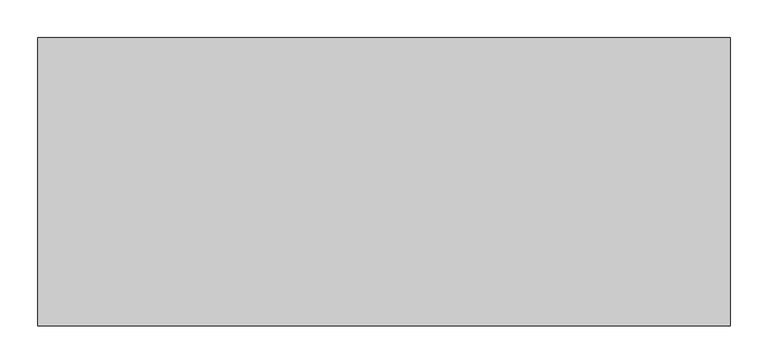
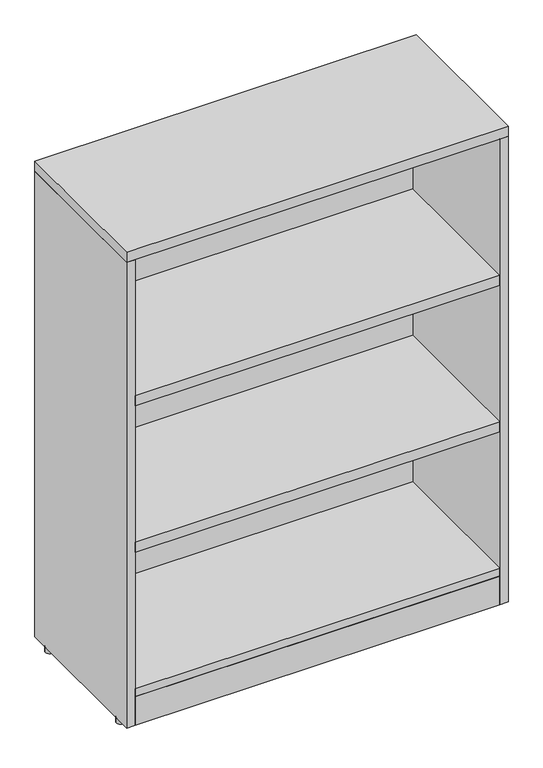
"""IFC4 building model written with IfcOpenShell, lengths in millimetres: furniture geometry."""

from ifc_helpers import new_model, si_unit, point, frame, frame_2d, origin, origin_with_axes, place, context, project, spatial, polyline, circle_curve, trimmed, segment, composite_curve, outline, extrude, source, transform, mapped, element, save


def furniture_66ddbd4f(model_context):
    return source(origin(), model_context, "Body", "SweptSolid", [
        extrude(outline(composite_curve([segment(trimmed(circle_curve(frame_2d((-447.04, 147.32)), 10.16), [point((-457.2, 147.32))], [point((-436.88, 147.32))], False, "CARTESIAN"), True, "CONTINUOUS"), segment(trimmed(circle_curve(frame_2d((-447.04, 147.32)), 10.16), [point((-436.88, 147.32))], [point((-457.2, 147.32))], False, "CARTESIAN"), True, "CONTINUOUS")], self_intersect=False)), origin_with_axes(), (0.0, 0.0, 1.0), 12.7),
        extrude(outline(composite_curve([segment(trimmed(circle_curve(frame_2d((447.04, 147.32)), 10.16), [point((436.88, 147.32))], [point((457.2, 147.32))], False, "CARTESIAN"), True, "CONTINUOUS"), segment(trimmed(circle_curve(frame_2d((447.04, 147.32)), 10.16), [point((457.2, 147.32))], [point((436.88, 147.32))], False, "CARTESIAN"), True, "CONTINUOUS")], self_intersect=False)), origin_with_axes(), (0.0, 0.0, 1.0), 12.7),
        extrude(outline(composite_curve([segment(trimmed(circle_curve(frame_2d((-447.04, -147.32)), 10.16), [point((-457.2, -147.32))], [point((-436.88, -147.32))], False, "CARTESIAN"), True, "CONTINUOUS"), segment(trimmed(circle_curve(frame_2d((-447.04, -147.32)), 10.16), [point((-436.88, -147.32))], [point((-457.2, -147.32))], False, "CARTESIAN"), True, "CONTINUOUS")], self_intersect=False)), origin_with_axes(), (0.0, 0.0, 1.0), 12.7),
        extrude(outline(composite_curve([segment(trimmed(circle_curve(frame_2d((447.04, -147.32)), 10.16), [point((436.88, -147.32))], [point((457.2, -147.32))], False, "CARTESIAN"), True, "CONTINUOUS"), segment(trimmed(circle_curve(frame_2d((447.04, -147.32)), 10.16), [point((457.2, -147.32))], [point((436.88, -147.32))], False, "CARTESIAN"), True, "CONTINUOUS")], self_intersect=False)), origin_with_axes(), (0.0, 0.0, 1.0), 12.7),
        extrude(outline(polyline([(436.88, -190.5), (-436.88, -190.5), (-436.88, 170.18), (436.88, 170.18), (436.88, -190.5)])), frame((0.0, 0.0, 821.9948), z_axis=(0.0, 0.0, 1.0), x_axis=(1.0, 0.0, 0.0)), (0.0, 0.0, 1.0), 25.4),
        extrude(outline(polyline([(436.88, -190.5), (-436.88, -190.5), (-436.88, 170.18), (436.88, 170.18), (436.88, -190.5)])), frame((0.0, 0.0, 451.0024), z_axis=(0.0, 0.0, 1.0), x_axis=(1.0, 0.0, 0.0)), (0.0, 0.0, 1.0), 25.4),
        extrude(outline(polyline([(436.88, -170.18), (436.88, -190.5), (-436.88, -190.5), (-436.88, -170.18), (436.88, -170.18)])), frame((0.0, 0.0, 12.7), z_axis=(0.0, 0.0, 1.0), x_axis=(1.0, 0.0, 0.0)), (0.0, 0.0, 1.0), 72.39),
        extrude(outline(polyline([(436.88, 170.18), (436.88, -190.5), (-436.88, -190.5), (-436.88, 170.18), (436.88, 170.18)])), frame((0.0, 0.0, 85.09), z_axis=(0.0, 0.0, 1.0), x_axis=(1.0, 0.0, 0.0)), (0.0, 0.0, 1.0), 20.32),
        extrude(outline(polyline([(457.2, 190.5), (457.2, -190.5), (-457.2, -190.5), (-457.2, 190.5), (457.2, 190.5)])), frame((0.0, 0.0, 1193.0126), z_axis=(0.0, 0.0, 1.0), x_axis=(1.0, 0.0, 0.0)), (0.0, 0.0, 1.0), 25.4),
        extrude(outline(polyline([(436.88, 190.5), (436.88, 170.18), (-436.88, 170.18), (-436.88, 190.5), (436.88, 190.5)])), frame((0.0, 0.0, 12.7), z_axis=(0.0, 0.0, 1.0), x_axis=(1.0, 0.0, 0.0)), (0.0, 0.0, 1.0), 1180.3126),
        extrude(outline(polyline([(-457.2, -190.5), (-457.2, 190.5), (-436.88, 190.5), (-436.88, -190.5), (-457.2, -190.5)])), frame((0.0, 0.0, 12.7), z_axis=(0.0, 0.0, 1.0), x_axis=(1.0, 0.0, 0.0)), (0.0, 0.0, 1.0), 1180.3126),
        extrude(outline(polyline([(457.2, -190.5), (436.88, -190.5), (436.88, 190.5), (457.2, 190.5), (457.2, -190.5)])), frame((0.0, 0.0, 12.7), z_axis=(0.0, 0.0, 1.0), x_axis=(1.0, 0.0, 0.0)), (0.0, 0.0, 1.0), 1180.3126),
    ])


if __name__ == "__main__":
    model = new_model("IFC4")
    model_context = context("Model", 3, world=origin())
    ifc_project = project(units=[si_unit("LENGTHUNIT", "METRE", prefix="MILLI")], contexts=[model_context])
    site = spatial("IfcSite", under=ifc_project)
    building = spatial("IfcBuilding", under=site)
    placement = place(None, origin())
    furniture_shape = furniture_66ddbd4f(model_context)
    element("IfcFurniture", 1, at=placement, inside=building, context=model_context, shape_type="MappedRepresentation", body=[
        mapped(furniture_shape, transform((0.0, 0.0, 0.0), x_axis=(1.0, 0.0, 0.0), y_axis=(0.0, 1.0, 0.0), z_axis=(0.0, 0.0, 1.0))),
    ])
    save(model, "model.ifc")
